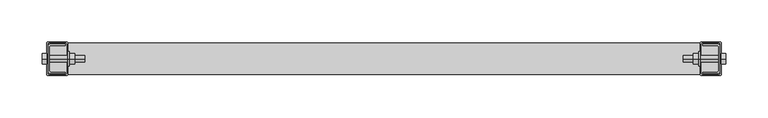
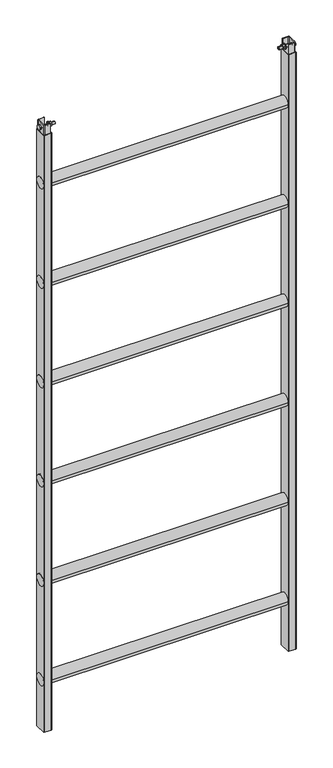
"""IFC4 building model written with IfcOpenShell, lengths in millimetres: proxy geometry."""

from ifc_helpers import new_model, si_unit, point, frame, frame_2d, origin, origin_with_axes, place, context, project, spatial, polyline, circle_curve, trimmed, segment, composite_curve, outline, extrude, source, transform, mapped, element, save
from ifc_brep_helpers import plane_surface, cylinder_surface, advanced_brep


def generic_models_25bb717a(model_context):
    return source(origin(), model_context, "Body", "SolidModel", [
        extrude(outline(polyline([(-6.5, 2020.7527767), (0.0, 2024.5055535), (6.5, 2020.7527767), (6.5, 2013.2472233), (0.0, 2009.4944465), (-6.5, 2013.2472233), (-6.5, 2020.7527767)])), frame((-405.5, 0.0, 0.0), z_axis=(1.0, 0.0, 0.0), x_axis=(0.0, 1.0, 0.0)), (0.0, 0.0, 1.0), 5.5),
        extrude(outline(polyline([(-6.5, 2020.7527767), (0.0, 2024.5055535), (6.5, 2020.7527767), (6.5, 2013.2472233), (0.0, 2009.4944465), (-6.5, 2013.2472233), (-6.5, 2020.7527767)])), frame((366.9, 0.0, 0.0), z_axis=(1.0, 0.0, 0.0), x_axis=(0.0, 1.0, 0.0)), (0.0, 0.0, 1.0), 6.5),
        extrude(outline(polyline([(-6.5, 2020.7527767), (0.0, 2024.5055535), (6.5, 2020.7527767), (6.5, 2013.2472233), (0.0, 2009.4944465), (-6.5, 2013.2472233), (-6.5, 2020.7527767)])), frame((400.0, 0.0, 0.0), z_axis=(1.0, 0.0, 0.0), x_axis=(0.0, 1.0, 0.0)), (0.0, 0.0, 1.0), 5.5),
        extrude(outline(polyline([(-6.5, 2020.7527767), (0.0, 2024.5055535), (6.5, 2020.7527767), (6.5, 2013.2472233), (0.0, 2009.4944465), (-6.5, 2013.2472233), (-6.5, 2020.7527767)])), frame((-373.4, 0.0, 0.0), z_axis=(1.0, 0.0, 0.0), x_axis=(0.0, 1.0, 0.0)), (0.0, 0.0, 1.0), 6.5),
        advanced_brep(
        [(-373.4, 0.0, 2012.999724), (-373.4, 0.0, 2021.000276), (-355.0, 0.0, 2021.000276), (-355.0, 0.0, 2012.999724), (-375.0, 0.0, 2012.999724), (-375.0, 0.0, 2021.000276), (-375.0, 0.0, 2025.5), (-375.0, 0.0, 2008.5), (-373.4, 0.0, 2025.5), (-373.4, 0.0, 2008.5), (-400.0, 0.0, 2012.999724), (-400.0, 0.0, 2021.000276), (-400.0, 0.0, 2017.0), (-355.0, 0.0, 2017.0)],
        [
            (0, 1, circle_curve(frame((-373.4, 0.0, 2017.0), z_axis=(1.0, 0.0, 0.0), x_axis=(0.0, 0.0, 1.0)), 4.000276)),
            (1, 2),
            (2, 3, circle_curve(frame((-355.0, 0.0, 2017.0), z_axis=(-1.0, 0.0, 0.0), x_axis=(0.0, 0.0, 1.0)), 4.000276)),
            (3, 0),
            (4, 5, circle_curve(frame((-375.0, 0.0, 2017.0), z_axis=(1.0, 0.0, 0.0), x_axis=(0.0, 0.0, 1.0)), 4.000276)),
            (5, 6),
            (6, 7, circle_curve(frame((-375.0, 0.0, 2017.0), z_axis=(-1.0, 0.0, 0.0), x_axis=(0.0, 0.0, 1.0)), 8.5)),
            (7, 4),
            (6, 8),
            (8, 9, circle_curve(frame((-373.4, 0.0, 2017.0), z_axis=(-1.0, 0.0, 0.0), x_axis=(0.0, 0.0, 1.0)), 8.5)),
            (9, 7),
            (8, 1),
            (0, 9),
            (10, 11, circle_curve(frame((-400.0, 0.0, 2017.0), z_axis=(1.0, 0.0, 0.0), x_axis=(0.0, 0.0, 1.0)), 4.000276)),
            (11, 5),
            (4, 10),
            (1, 0, circle_curve(frame((-373.4, 0.0, 2017.0), z_axis=(1.0, 0.0, 0.0), x_axis=(0.0, 0.0, 1.0)), 4.000276)),
            (3, 2, circle_curve(frame((-355.0, 0.0, 2017.0), z_axis=(-1.0, 0.0, 0.0), x_axis=(0.0, 0.0, 1.0)), 4.000276)),
            (8, 9, circle_curve(frame((-373.4, 0.0, 2017.0), z_axis=(1.0, 0.0, 0.0), x_axis=(0.0, 0.0, 1.0)), 8.5)),
            (6, 7, circle_curve(frame((-375.0, 0.0, 2017.0), z_axis=(1.0, 0.0, 0.0), x_axis=(0.0, 0.0, 1.0)), 8.5)),
            (5, 4, circle_curve(frame((-375.0, 0.0, 2017.0), z_axis=(1.0, 0.0, 0.0), x_axis=(0.0, 0.0, 1.0)), 4.000276)),
            (11, 10, circle_curve(frame((-400.0, 0.0, 2017.0), z_axis=(1.0, 0.0, 0.0), x_axis=(0.0, 0.0, 1.0)), 4.000276)),
            (12, 11),
            (10, 12),
            (2, 13),
            (13, 3),
        ],
        [
            cylinder_surface(frame((-1045.0977595, 0.0, 2017.0), z_axis=(-1.0, 0.0, 0.0), x_axis=(0.0, 0.0, 1.0)), 4.000276),
            plane_surface(frame((-375.0, 0.0, 2017.0), z_axis=(-1.0, 0.0, 0.0), x_axis=(0.0, 0.0, 1.0))),
            cylinder_surface(frame((-1045.0977595, 0.0, 2017.0), z_axis=(-1.0, 0.0, 0.0), x_axis=(0.0, 0.0, 1.0)), 8.5),
            plane_surface(frame((-373.4, 0.0, 2017.0), z_axis=(1.0, 0.0, 0.0), x_axis=(0.0, 0.0, 1.0))),
            plane_surface(frame((-400.0, 0.0, 2017.0), z_axis=(-1.0, 0.0, 0.0), x_axis=(0.0, 0.0, 1.0))),
            plane_surface(frame((-355.0, 0.0, 2017.0), z_axis=(1.0, 0.0, 0.0), x_axis=(0.0, 0.0, 1.0))),
        ],
        [
            (0, [[1, 2, 3, 4]]),
            (1, [[5, 6, 7, 8]]),
            (2, [[-7, 9, 10, 11]]),
            (3, [[-10, 12, -1, 13]]),
            (0, [[14, 15, -5, 16]]),
            (0, [[17, -4, 18, -2]]),
            (3, [[19, -13, -17, -12]]),
            (2, [[20, -11, -19, -9]]),
            (1, [[21, -8, -20, -6]]),
            (0, [[22, -16, -21, -15]]),
            (4, [[23, -14, 24]]),
            (4, [[-24, -22, -23]]),
            (5, [[-3, 25, 26]]),
            (5, [[-18, -26, -25]]),
        ],
    ),
        advanced_brep(
        [(355.0, 0.0, 2017.0), (355.0, 0.0, 2021.000276), (355.0, 0.0, 2012.999724), (373.4, 0.0, 2021.000276), (373.4, 0.0, 2012.999724), (400.0, 0.0, 2012.999724), (400.0, 0.0, 2021.000276), (400.0, 0.0, 2017.0), (375.0, 0.0, 2008.5), (375.0, 0.0, 2025.5), (375.0, 0.0, 2021.000276), (375.0, 0.0, 2012.999724), (373.4, 0.0, 2008.5), (373.4, 0.0, 2025.5)],
        [
            (0, 1),
            (1, 2, circle_curve(frame((355.0, 0.0, 2017.0), z_axis=(-1.0, 0.0, 0.0), x_axis=(0.0, 0.0, 1.0)), 4.000276)),
            (2, 0),
            (1, 3),
            (3, 4, circle_curve(frame((373.4, 0.0, 2017.0), z_axis=(-1.0, 0.0, 0.0), x_axis=(0.0, 0.0, 1.0)), 4.000276)),
            (4, 2),
            (5, 6, circle_curve(frame((400.0, 0.0, 2017.0), z_axis=(1.0, 0.0, 0.0), x_axis=(0.0, 0.0, 1.0)), 4.000276)),
            (6, 7),
            (7, 5),
            (8, 9, circle_curve(frame((375.0, 0.0, 2017.0), z_axis=(1.0, 0.0, 0.0), x_axis=(0.0, 0.0, 1.0)), 8.5)),
            (9, 10),
            (10, 11, circle_curve(frame((375.0, 0.0, 2017.0), z_axis=(-1.0, 0.0, 0.0), x_axis=(0.0, 0.0, 1.0)), 4.000276)),
            (11, 8),
            (12, 13, circle_curve(frame((373.4, 0.0, 2017.0), z_axis=(1.0, 0.0, 0.0), x_axis=(0.0, 0.0, 1.0)), 8.5)),
            (13, 9),
            (8, 12),
            (3, 13),
            (12, 4),
            (2, 1, circle_curve(frame((355.0, 0.0, 2017.0), z_axis=(-1.0, 0.0, 0.0), x_axis=(0.0, 0.0, 1.0)), 4.000276)),
            (6, 5, circle_curve(frame((400.0, 0.0, 2017.0), z_axis=(1.0, 0.0, 0.0), x_axis=(0.0, 0.0, 1.0)), 4.000276)),
            (10, 6),
            (5, 11),
            (10, 11, circle_curve(frame((375.0, 0.0, 2017.0), z_axis=(1.0, 0.0, 0.0), x_axis=(0.0, 0.0, 1.0)), 4.000276)),
            (9, 8, circle_curve(frame((375.0, 0.0, 2017.0), z_axis=(1.0, 0.0, 0.0), x_axis=(0.0, 0.0, 1.0)), 8.5)),
            (13, 12, circle_curve(frame((373.4, 0.0, 2017.0), z_axis=(1.0, 0.0, 0.0), x_axis=(0.0, 0.0, 1.0)), 8.5)),
            (3, 4, circle_curve(frame((373.4, 0.0, 2017.0), z_axis=(1.0, 0.0, 0.0), x_axis=(0.0, 0.0, 1.0)), 4.000276)),
        ],
        [
            plane_surface(frame((355.0, 0.0, 2017.0), z_axis=(-1.0, 0.0, 0.0), x_axis=(0.0, 0.0, 1.0))),
            cylinder_surface(frame((-1045.0977595, 0.0, 2017.0), z_axis=(-1.0, 0.0, 0.0), x_axis=(0.0, 0.0, 1.0)), 4.000276),
            plane_surface(frame((400.0, 0.0, 2017.0), z_axis=(1.0, 0.0, 0.0), x_axis=(0.0, 0.0, 1.0))),
            plane_surface(frame((375.0, 0.0, 2017.0), z_axis=(1.0, 0.0, 0.0), x_axis=(0.0, 0.0, 1.0))),
            cylinder_surface(frame((-1045.0977595, 0.0, 2017.0), z_axis=(-1.0, 0.0, 0.0), x_axis=(0.0, 0.0, 1.0)), 8.5),
            plane_surface(frame((373.4, 0.0, 2017.0), z_axis=(-1.0, 0.0, 0.0), x_axis=(0.0, 0.0, 1.0))),
        ],
        [
            (0, [[1, 2, 3]]),
            (1, [[-2, 4, 5, 6]]),
            (2, [[7, 8, 9]]),
            (3, [[10, 11, 12, 13]]),
            (4, [[14, 15, -10, 16]]),
            (5, [[-5, 17, -14, 18]]),
            (0, [[-3, 19, -1]]),
            (2, [[20, -9, -8]]),
            (1, [[-12, 21, -7, 22]]),
            (1, [[23, -22, -20, -21]]),
            (3, [[24, -13, -23, -11]]),
            (4, [[25, -16, -24, -15]]),
            (5, [[26, -18, -25, -17]]),
            (1, [[-19, -6, -26, -4]]),
        ],
    ),
        extrude(outline(composite_curve([segment(trimmed(circle_curve(frame_2d((-395.5151666, 14.5151666)), 1.4848334), [point((-395.5151666, 16.0))], [point((-397.0, 14.5151666))], True, "CARTESIAN"), True, "CONTINUOUS"), segment(polyline([(-397.0, 14.5151666), (-397.0, -14.5)]), True, "CONTINUOUS"), segment(trimmed(circle_curve(frame_2d((-395.5, -14.5)), 1.5), [point((-397.0, -14.5))], [point((-395.5, -16.0))], True, "CARTESIAN"), True, "CONTINUOUS"), segment(polyline([(-395.5, -16.0), (-378.004148, -16.0), (-378.004148, -17.5), (-395.5497043, -17.5)]), True, "CONTINUOUS"), segment(trimmed(circle_curve(frame_2d((-395.5497043, -14.5497043)), 2.9502957), [point((-395.5497043, -17.5))], [point((-398.5, -14.5497043))], False, "CARTESIAN"), True, "CONTINUOUS"), segment(polyline([(-398.5, -14.5497043), (-398.5, 14.5108868)]), True, "CONTINUOUS"), segment(trimmed(circle_curve(frame_2d((-395.5108868, 14.5108868)), 2.9891132), [point((-398.5, 14.5108868))], [point((-395.5108868, 17.5))], False, "CARTESIAN"), True, "CONTINUOUS"), segment(polyline([(-395.5108868, 17.5), (-378.004148, 17.5), (-378.004148, 16.0), (-395.5151666, 16.0)]), True, "CONTINUOUS")], self_intersect=False)), frame((0.0, 0.0, 2000.0), z_axis=(0.0, 0.0, 1.0), x_axis=(1.0, 0.0, 0.0)), (0.0, 0.0, 1.0), 32.0),
        extrude(outline(composite_curve([segment(polyline([(395.5151666, 16.0), (378.004148, 16.0), (378.004148, 17.5), (395.5108868, 17.5)]), True, "CONTINUOUS"), segment(trimmed(circle_curve(frame_2d((395.5108868, 14.5108868)), 2.9891132), [point((395.5108868, 17.5))], [point((398.5, 14.5108868))], False, "CARTESIAN"), True, "CONTINUOUS"), segment(polyline([(398.5, 14.5108868), (398.5, -14.5497043)]), True, "CONTINUOUS"), segment(trimmed(circle_curve(frame_2d((395.5497043, -14.5497043)), 2.9502957), [point((398.5, -14.5497043))], [point((395.5497043, -17.5))], False, "CARTESIAN"), True, "CONTINUOUS"), segment(polyline([(395.5497043, -17.5), (378.004148, -17.5), (378.004148, -16.0), (395.5, -16.0)]), True, "CONTINUOUS"), segment(trimmed(circle_curve(frame_2d((395.5, -14.5)), 1.5), [point((395.5, -16.0))], [point((397.0, -14.5))], True, "CARTESIAN"), True, "CONTINUOUS"), segment(polyline([(397.0, -14.5), (397.0, 14.5151666)]), True, "CONTINUOUS"), segment(trimmed(circle_curve(frame_2d((395.5151666, 14.5151666)), 1.4848334), [point((397.0, 14.5151666))], [point((395.5151666, 16.0))], True, "CARTESIAN"), True, "CONTINUOUS")], self_intersect=False)), frame((0.0, 0.0, 2000.0), z_axis=(0.0, 0.0, 1.0), x_axis=(1.0, 0.0, 0.0)), (0.0, 0.0, 1.0), 32.0),
        extrude(outline(composite_curve([segment(trimmed(circle_curve(frame_2d((0.0, 1165.507189)), 18.5), [point((-18.5, 1165.507189))], [point((18.5, 1165.507189))], False, "CARTESIAN"), True, "CONTINUOUS"), segment(trimmed(circle_curve(frame_2d((0.0, 1165.507189)), 18.5), [point((18.5, 1165.507189))], [point((-18.5, 1165.507189))], False, "CARTESIAN"), True, "CONTINUOUS")], self_intersect=False)), frame((-400.0, 0.0, 0.0), z_axis=(1.0, 0.0, 0.0), x_axis=(0.0, 1.0, 0.0)), (0.0, 0.0, 1.0), 800.0),
        extrude(outline(composite_curve([segment(trimmed(circle_curve(frame_2d((0.0, 1498.5057512)), 18.5), [point((-18.5, 1498.5057512))], [point((18.5, 1498.5057512))], False, "CARTESIAN"), True, "CONTINUOUS"), segment(trimmed(circle_curve(frame_2d((0.0, 1498.5057512)), 18.5), [point((18.5, 1498.5057512))], [point((-18.5, 1498.5057512))], False, "CARTESIAN"), True, "CONTINUOUS")], self_intersect=False)), frame((-400.0, 0.0, 0.0), z_axis=(1.0, 0.0, 0.0), x_axis=(0.0, 1.0, 0.0)), (0.0, 0.0, 1.0), 800.0),
        extrude(outline(composite_curve([segment(trimmed(circle_curve(frame_2d((0.0, 1831.5043134)), 18.5), [point((-18.5, 1831.5043134))], [point((18.5, 1831.5043134))], False, "CARTESIAN"), True, "CONTINUOUS"), segment(trimmed(circle_curve(frame_2d((0.0, 1831.5043134)), 18.5), [point((18.5, 1831.5043134))], [point((-18.5, 1831.5043134))], False, "CARTESIAN"), True, "CONTINUOUS")], self_intersect=False)), frame((-400.0, 0.0, 0.0), z_axis=(1.0, 0.0, 0.0), x_axis=(0.0, 1.0, 0.0)), (0.0, 0.0, 1.0), 800.0),
        extrude(outline(composite_curve([segment(trimmed(circle_curve(frame_2d((0.0, 166.5115025)), 18.5), [point((-18.5, 166.5115025))], [point((18.5, 166.5115025))], False, "CARTESIAN"), True, "CONTINUOUS"), segment(trimmed(circle_curve(frame_2d((0.0, 166.5115025)), 18.5), [point((18.5, 166.5115025))], [point((-18.5, 166.5115025))], False, "CARTESIAN"), True, "CONTINUOUS")], self_intersect=False)), frame((-400.0, 0.0, 0.0), z_axis=(1.0, 0.0, 0.0), x_axis=(0.0, 1.0, 0.0)), (0.0, 0.0, 1.0), 800.0),
        extrude(outline(composite_curve([segment(trimmed(circle_curve(frame_2d((0.0, 499.5100647)), 18.5), [point((-18.5, 499.5100647))], [point((18.5, 499.5100647))], False, "CARTESIAN"), True, "CONTINUOUS"), segment(trimmed(circle_curve(frame_2d((0.0, 499.5100647)), 18.5), [point((18.5, 499.5100647))], [point((-18.5, 499.5100647))], False, "CARTESIAN"), True, "CONTINUOUS")], self_intersect=False)), frame((-400.0, 0.0, 0.0), z_axis=(1.0, 0.0, 0.0), x_axis=(0.0, 1.0, 0.0)), (0.0, 0.0, 1.0), 800.0),
        extrude(outline(composite_curve([segment(trimmed(circle_curve(frame_2d((0.0, 832.5086268)), 18.5), [point((-18.5, 832.5086268))], [point((18.5, 832.5086268))], False, "CARTESIAN"), True, "CONTINUOUS"), segment(trimmed(circle_curve(frame_2d((0.0, 832.5086268)), 18.5), [point((18.5, 832.5086268))], [point((-18.5, 832.5086268))], False, "CARTESIAN"), True, "CONTINUOUS")], self_intersect=False)), frame((-400.0, 0.0, 0.0), z_axis=(1.0, 0.0, 0.0), x_axis=(0.0, 1.0, 0.0)), (0.0, 0.0, 1.0), 800.0),
        extrude(outline(composite_curve([segment(trimmed(circle_curve(frame_2d((-398.5, 18.5)), 1.5), [point((-400.0, 18.5))], [point((-398.5, 20.0))], False, "CARTESIAN"), True, "CONTINUOUS"), segment(polyline([(-398.5, 20.0), (-376.5, 20.0)]), True, "CONTINUOUS"), segment(trimmed(circle_curve(frame_2d((-376.5, 18.5)), 1.5), [point((-376.5, 20.0))], [point((-375.0, 18.5))], False, "CARTESIAN"), True, "CONTINUOUS"), segment(polyline([(-375.0, 18.5), (-375.0, -18.4942835)]), True, "CONTINUOUS"), segment(trimmed(circle_curve(frame_2d((-376.5057165, -18.4942835)), 1.5057165), [point((-375.0, -18.4942835))], [point((-376.5057165, -20.0))], False, "CARTESIAN"), True, "CONTINUOUS"), segment(polyline([(-376.5057165, -20.0), (-398.5, -20.0)]), True, "CONTINUOUS"), segment(trimmed(circle_curve(frame_2d((-398.5, -18.5)), 1.5), [point((-398.5, -20.0))], [point((-400.0, -18.5))], False, "CARTESIAN"), True, "CONTINUOUS"), segment(polyline([(-400.0, -18.5), (-400.0, 18.5)]), True, "CONTINUOUS")], self_intersect=False), holes=[composite_curve([segment(polyline([(-398.5, 17.1), (-398.5, -17.1)]), True, "CONTINUOUS"), segment(trimmed(circle_curve(frame_2d((-397.1, -17.1)), 1.4), [point((-398.5, -17.1))], [point((-397.1, -18.5))], True, "CARTESIAN"), True, "CONTINUOUS"), segment(polyline([(-397.1, -18.5), (-377.9245905, -18.5)]), True, "CONTINUOUS"), segment(trimmed(circle_curve(frame_2d((-377.9245905, -17.0754095)), 1.4245905), [point((-377.9245905, -18.5))], [point((-376.5, -17.0754095))], True, "CARTESIAN"), True, "CONTINUOUS"), segment(polyline([(-376.5, -17.0754095), (-376.5, 17.1270844)]), True, "CONTINUOUS"), segment(trimmed(circle_curve(frame_2d((-377.8729156, 17.1270844)), 1.3729156), [point((-376.5, 17.1270844))], [point((-377.8729156, 18.5))], True, "CARTESIAN"), True, "CONTINUOUS"), segment(polyline([(-377.8729156, 18.5), (-397.1, 18.5)]), True, "CONTINUOUS"), segment(trimmed(circle_curve(frame_2d((-397.1, 17.1)), 1.4), [point((-397.1, 18.5))], [point((-398.5, 17.1))], True, "CARTESIAN"), True, "CONTINUOUS")], self_intersect=False)]), origin_with_axes(), (0.0, 0.0, 1.0), 2000.0),
        extrude(outline(composite_curve([segment(polyline([(400.0, 18.5), (400.0, -18.5)]), True, "CONTINUOUS"), segment(trimmed(circle_curve(frame_2d((398.5, -18.5)), 1.5), [point((400.0, -18.5))], [point((398.5, -20.0))], False, "CARTESIAN"), True, "CONTINUOUS"), segment(polyline([(398.5, -20.0), (376.5057165, -20.0)]), True, "CONTINUOUS"), segment(trimmed(circle_curve(frame_2d((376.5057165, -18.4942835)), 1.5057165), [point((376.5057165, -20.0))], [point((375.0, -18.4942835))], False, "CARTESIAN"), True, "CONTINUOUS"), segment(polyline([(375.0, -18.4942835), (375.0, 18.5)]), True, "CONTINUOUS"), segment(trimmed(circle_curve(frame_2d((376.5, 18.5)), 1.5), [point((375.0, 18.5))], [point((376.5, 20.0))], False, "CARTESIAN"), True, "CONTINUOUS"), segment(polyline([(376.5, 20.0), (398.5, 20.0)]), True, "CONTINUOUS"), segment(trimmed(circle_curve(frame_2d((398.5, 18.5)), 1.5), [point((398.5, 20.0))], [point((400.0, 18.5))], False, "CARTESIAN"), True, "CONTINUOUS")], self_intersect=False), holes=[composite_curve([segment(trimmed(circle_curve(frame_2d((397.1, 17.1)), 1.4), [point((398.5, 17.1))], [point((397.1, 18.5))], True, "CARTESIAN"), True, "CONTINUOUS"), segment(polyline([(397.1, 18.5), (377.8729156, 18.5)]), True, "CONTINUOUS"), segment(trimmed(circle_curve(frame_2d((377.8729156, 17.1270844)), 1.3729156), [point((377.8729156, 18.5))], [point((376.5, 17.1270844))], True, "CARTESIAN"), True, "CONTINUOUS"), segment(polyline([(376.5, 17.1270844), (376.5, -17.0754095)]), True, "CONTINUOUS"), segment(trimmed(circle_curve(frame_2d((377.9245905, -17.0754095)), 1.4245905), [point((376.5, -17.0754095))], [point((377.9245905, -18.5))], True, "CARTESIAN"), True, "CONTINUOUS"), segment(polyline([(377.9245905, -18.5), (397.1, -18.5)]), True, "CONTINUOUS"), segment(trimmed(circle_curve(frame_2d((397.1, -17.1)), 1.4), [point((397.1, -18.5))], [point((398.5, -17.1))], True, "CARTESIAN"), True, "CONTINUOUS"), segment(polyline([(398.5, -17.1), (398.5, 17.1)]), True, "CONTINUOUS")], self_intersect=False)]), origin_with_axes(), (0.0, 0.0, 1.0), 2000.0),
    ])


if __name__ == "__main__":
    model = new_model("IFC4")
    model_context = context("Model", 3, world=origin())
    ifc_project = project(units=[si_unit("LENGTHUNIT", "METRE", prefix="MILLI")], contexts=[model_context])
    site = spatial("IfcSite", under=ifc_project)
    building = spatial("IfcBuilding", under=site)
    placement = place(None, origin())
    generic_models_shape = generic_models_25bb717a(model_context)
    element("IfcBuildingElementProxy", 1, Name="Generic Models", at=placement, inside=building, context=model_context, shape_type="MappedRepresentation", body=[
        mapped(generic_models_shape, transform((0.0, 0.0, 0.0), x_axis=(1.0, 0.0, 0.0), y_axis=(0.0, 1.0, 0.0), z_axis=(0.0, 0.0, 1.0))),
    ])
    save(model, "model.ifc")
